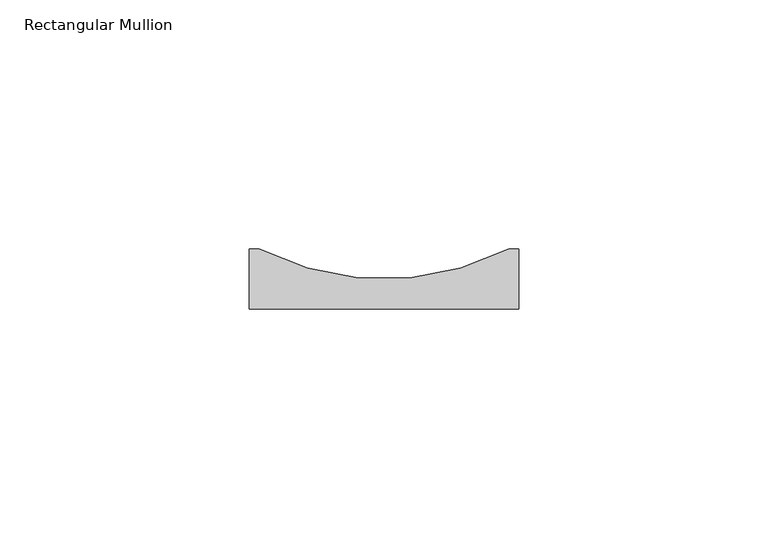
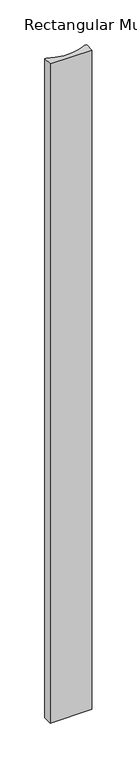
"""IFC4 building model written with IfcOpenShell, lengths in millimetres: member geometry, Rectangular Mullion."""

import ifcopenshell
import ifcopenshell.guid

model = None  # the IFC model being written
_history = None  # IfcOwnerHistory: only IFC2X3 demands one
_inside = {}  # id of a spatial element -> (the spatial element, [elements in it])
_under = {}  # id of a project, library or spatial element -> (it, [spatial elements below it])
_declared = {}  # id of a project -> (the project, [libraries it declares])
_typed = {}  # id of a type object -> (the type object, [elements of that type])
_made_of = {}  # id of a material, layer set ... -> (it, [elements and type objects made of it])


def new_model(schema):
    """Start an empty IFC model of exactly this schema.

    Asked for "IFC4X3", IfcOpenShell would pick the latest addendum, in which some entities
    have other attributes; the version numbers below select the first issue.
    IFC2X3 requires an IfcOwnerHistory on every rooted entity: one is made here for all.
    """
    global model, _history
    if schema == "IFC4X3":
        model = ifcopenshell.file(schema_version=(4, 3, 0, 0))
    else:
        model = ifcopenshell.file(schema=schema)
    _inside.clear()
    _under.clear()
    _declared.clear()
    _typed.clear()
    _made_of.clear()
    _history = None
    if model.schema == "IFC2X3":
        org = make("IfcOrganization", Name="unknown")
        user = make(
            "IfcPersonAndOrganization",
            ThePerson=make("IfcPerson", FamilyName="unknown"),
            TheOrganization=org,
        )
        app = make(
            "IfcApplication",
            ApplicationDeveloper=org,
            Version="unknown",
            ApplicationFullName="unknown",
            ApplicationIdentifier="unknown",
        )
        _history = make(
            "IfcOwnerHistory",
            OwningUser=user,
            OwningApplication=app,
            ChangeAction="ADDED",
            CreationDate=0,
        )
    return model


def make(cls, **values):
    """One entity of the class cls with the attributes given. An attribute that is None is left unset."""
    return model.create_entity(
        cls, **{name: value for name, value in values.items() if value is not None}
    )


def rooted(cls, **values):
    """An entity with a GlobalId (a new one), such as an element, a storey or a relation."""
    return make(cls, GlobalId=ifcopenshell.guid.new(), OwnerHistory=_history, **values)


def si_unit(unit_type, name, prefix=None):
    """IfcSIUnit, for example si_unit("LENGTHUNIT", "METRE", prefix="MILLI")."""
    return make("IfcSIUnit", UnitType=unit_type, Prefix=prefix, Name=name)


def assignment(units):
    """IfcUnitAssignment: the units of a project."""
    return None if units is None else make("IfcUnitAssignment", Units=units)


def point(xyz):
    """IfcCartesianPoint."""
    return None if xyz is None else make("IfcCartesianPoint", Coordinates=xyz)


def direction(xyz):
    """IfcDirection."""
    return None if xyz is None else make("IfcDirection", DirectionRatios=xyz)


def frame(location, z_axis=None, x_axis=None):
    """IfcAxis2Placement3D, a coordinate frame: its origin and axes. An axis left out is left unset."""
    return make(
        "IfcAxis2Placement3D",
        Location=point(location),
        Axis=direction(z_axis),
        RefDirection=direction(x_axis),
    )


def frame_2d(location, x_axis=None):
    """IfcAxis2Placement2D, a coordinate frame in the plane: its origin and x axis."""
    return make(
        "IfcAxis2Placement2D", Location=point(location), RefDirection=direction(x_axis)
    )


def origin():
    """The frame at (0, 0, 0) with its axes left unset."""
    return frame((0.0, 0.0, 0.0))


def place(relative_to, where):
    """IfcLocalPlacement: puts the frame where relative to a parent placement (None: the world)."""
    return make(
        "IfcLocalPlacement", PlacementRelTo=relative_to, RelativePlacement=where
    )


def context(
    kind, dimensions, precision=None, world=None, true_north=None, identifier=None
):
    """IfcGeometricRepresentationContext, for example the 3D "Model" context."""
    return make(
        "IfcGeometricRepresentationContext",
        ContextIdentifier=identifier,
        ContextType=kind,
        CoordinateSpaceDimension=dimensions,
        Precision=precision,
        WorldCoordinateSystem=world,
        TrueNorth=true_north,
    )


def project(units=None, contexts=None):
    """IfcProject with its units and contexts."""
    return rooted(
        "IfcProject",
        Name="project",
        RepresentationContexts=contexts,
        UnitsInContext=assignment(units),
    )


def spatial(cls, under=None, at=None, **own):
    """A site, building, storey or space (cls), placed at a placement, below another one or the project."""
    s = rooted(cls, ObjectPlacement=at, **own)
    if under is not None:
        _under.setdefault(under.id(), (under, []))[1].append(s)
    return s


def polyline(points):
    """IfcPolyline through the points."""
    return make("IfcPolyline", Points=[point(p) for p in points])


def circle_curve(where, radius):
    """IfcCircle in the frame where."""
    return make("IfcCircle", Position=where, Radius=radius)


def trimmed(basis, trim1, trim2, sense, master):
    """IfcTrimmedCurve: the piece of a basis curve between two trims."""
    return make(
        "IfcTrimmedCurve",
        BasisCurve=basis,
        Trim1=trim1,
        Trim2=trim2,
        SenseAgreement=sense,
        MasterRepresentation=master,
    )


def segment(curve, same_sense, transition):
    """IfcCompositeCurveSegment."""
    return make(
        "IfcCompositeCurveSegment",
        Transition=transition,
        SameSense=same_sense,
        ParentCurve=curve,
    )


def composite_curve(segments, self_intersect=None):
    """IfcCompositeCurve: segments joined end to end."""
    return make("IfcCompositeCurve", Segments=segments, SelfIntersect=self_intersect)


def outline(outer, holes=None, kind="AREA"):
    """IfcArbitraryClosedProfileDef: a profile drawn as a closed curve; with holes, ...WithVoids."""
    if holes is None:
        return make("IfcArbitraryClosedProfileDef", ProfileType=kind, OuterCurve=outer)
    return make(
        "IfcArbitraryProfileDefWithVoids",
        ProfileType=kind,
        OuterCurve=outer,
        InnerCurves=holes,
    )


def extrude(swept, where, along, depth):
    """IfcExtrudedAreaSolid: the profile swept, set in the frame where, extruded along a direction by depth."""
    return make(
        "IfcExtrudedAreaSolid",
        SweptArea=swept,
        Position=where,
        ExtrudedDirection=direction(along),
        Depth=depth,
    )


def shape(context_of_items, identifier, shape_type, items):
    """IfcShapeRepresentation: the items that make up one representation, for example the "Body"."""
    return make(
        "IfcShapeRepresentation",
        ContextOfItems=context_of_items,
        RepresentationIdentifier=identifier,
        RepresentationType=shape_type,
        Items=items,
    )


def source(mapping_origin, context_of_items, identifier, shape_type, items):
    """IfcRepresentationMap: a shape defined once, which mapped items show again and again."""
    return make(
        "IfcRepresentationMap",
        MappingOrigin=mapping_origin,
        MappedRepresentation=shape(context_of_items, identifier, shape_type, items),
    )


def transform(
    local_origin,
    x_axis=None,
    y_axis=None,
    z_axis=None,
    scale=None,
    scale2=None,
    scale3=None,
    uniform=True,
):
    """IfcCartesianTransformationOperator3D, or its non-uniform kind. x_axis, y_axis, z_axis: its Axis1, 2, 3."""
    if uniform:
        return make(
            "IfcCartesianTransformationOperator3D",
            Axis1=direction(x_axis),
            Axis2=direction(y_axis),
            LocalOrigin=point(local_origin),
            Scale=scale,
            Axis3=direction(z_axis),
        )
    return make(
        "IfcCartesianTransformationOperator3DnonUniform",
        Axis1=direction(x_axis),
        Axis2=direction(y_axis),
        LocalOrigin=point(local_origin),
        Scale=scale,
        Axis3=direction(z_axis),
        Scale2=scale2,
        Scale3=scale3,
    )


def mapped(mapping_source, mapping_target):
    """IfcMappedItem: shows the shape of a source again, moved by a transform."""
    return make(
        "IfcMappedItem", MappingSource=mapping_source, MappingTarget=mapping_target
    )


def made_of(thing, what):
    """Note that an element or type object is made of a material, layer set ...; save() writes the relation."""
    if what is not None:
        _made_of.setdefault(what.id(), (what, []))[1].append(thing)
    return thing


def element(
    cls,
    number,
    at=None,
    inside=None,
    cuts=None,
    type_object=None,
    material=None,
    context=None,
    identifier="Body",
    shape_type=None,
    held_by="IfcProductDefinitionShape",
    body=None,
    shapes=None,
    **own,
):
    """One element of the class cls, such as IfcWall. Its Tag is "e" and its number.

    at: its placement. inside: the storey or other place that contains it. cuts: it is an
    opening in that element (IfcRelVoidsElement). A single representation is given by context,
    identifier, shape_type and body (its items); several are given by shapes. held_by: the class
    of the entity that holds the representations. save() writes the other relations.
    """
    e = rooted(cls, Tag="e%d" % number, ObjectPlacement=at, **own)
    if body is not None:
        shapes = [shape(context, identifier, shape_type, body)]
    if shapes is not None:
        e.Representation = make(held_by, Representations=shapes)
    if inside is not None:
        _inside.setdefault(inside.id(), (inside, []))[1].append(e)
    if cuts is not None:
        rooted(
            "IfcRelVoidsElement", RelatingBuildingElement=cuts, RelatedOpeningElement=e
        )
    if type_object is not None:
        _typed.setdefault(type_object.id(), (type_object, []))[1].append(e)
    return made_of(e, material)


def aggregate(whole, parts):
    """IfcRelAggregates: a whole, such as a stair, and the parts it consists of."""
    return rooted("IfcRelAggregates", RelatingObject=whole, RelatedObjects=parts)


def save(model, path):
    """Write the relations noted so far, then the file.

    IfcRelAggregates (storeys below a building ...), IfcRelContainedInSpatialStructure (elements
    in a storey), IfcRelDefinesByType, IfcRelAssociatesMaterial and IfcRelDeclares: one each for
    every whole, place, type object, material and project.
    """
    for whole, parts in _under.values():
        aggregate(whole, parts)
    for where, things in _inside.values():
        rooted(
            "IfcRelContainedInSpatialStructure",
            RelatedElements=things,
            RelatingStructure=where,
        )
    for kind, things in _typed.values():
        rooted("IfcRelDefinesByType", RelatedObjects=things, RelatingType=kind)
    for what, things in _made_of.values():
        rooted("IfcRelAssociatesMaterial", RelatedObjects=things, RelatingMaterial=what)
    for by, libraries in _declared.values():
        rooted("IfcRelDeclares", RelatingContext=by, RelatedDefinitions=libraries)
    model.write(path)


def rectangular_mullion_ac61b6fd(model_context):
    return source(origin(), model_context, "Body", "SweptSolid", [
        extrude(outline(composite_curve([segment(polyline([(-27.0, 12.0), (-25.0, 12.0)]), True, "CONTINUOUS"), segment(trimmed(circle_curve(frame_2d((0.0, 61.0833333)), 55.0833333), [point((-25.0, 12.0))], [point((25.0, 12.0))], True, "CARTESIAN"), True, "CONTINUOUS"), segment(polyline([(25.0, 12.0), (27.0, 12.0), (27.0, 0.0), (-27.0, 0.0), (-27.0, 12.0)]), True, "CONTINUOUS")], self_intersect=False)), frame((0.0, 0.0, -900.0), z_axis=(0.0, 0.0, 1.0), x_axis=(1.0, 0.0, 0.0)), (0.0, 0.0, 1.0), 900.0),
    ])


if __name__ == "__main__":
    model = new_model("IFC4")
    model_context = context("Model", 3, world=origin())
    ifc_project = project(units=[si_unit("LENGTHUNIT", "METRE", prefix="MILLI")], contexts=[model_context])
    site = spatial("IfcSite", under=ifc_project)
    building = spatial("IfcBuilding", under=site)
    placement = place(None, origin())
    rectangular_mullion_shape = rectangular_mullion_ac61b6fd(model_context)
    element("IfcMember", 1, ObjectType="Rectangular Mullion", at=placement, inside=building, context=model_context, shape_type="MappedRepresentation", body=[
        mapped(rectangular_mullion_shape, transform((0.0, 0.0, 0.0), x_axis=(1.0, 0.0, 0.0), y_axis=(0.0, 1.0, 0.0), z_axis=(0.0, 0.0, 1.0))),
    ])
    save(model, "model.ifc")
